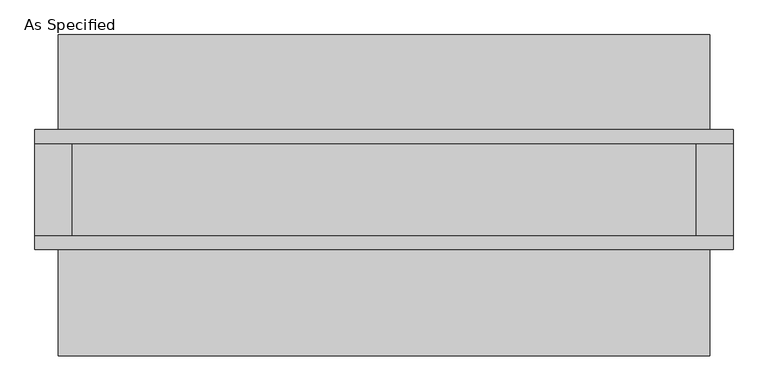
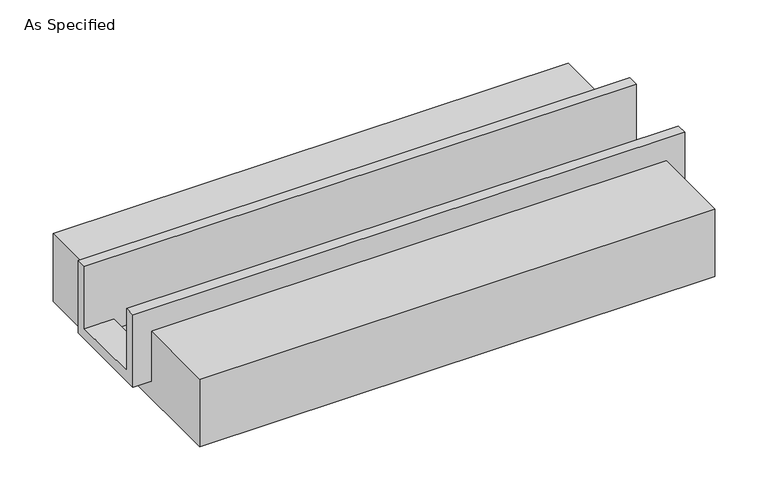
"""IFC4 building model written with IfcOpenShell, lengths in millimetres: proxy geometry, As Specified."""

from ifc_helpers import new_model, si_unit, frame, origin, place, context, project, spatial, polyline, outline, extrude, faceted_brep, source, transform, mapped, element, save


def as_specified_f30b4417(model_context):
    return source(origin(), model_context, "Body", "SolidModel", [
        faceted_brep([(-1917.7, 285.75, 139.7), (-1917.7, 361.95, 139.7), (-1917.7, 361.95, -393.7), (-1917.7, -298.45, -393.7), (-1917.7, -298.45, 139.7), (-1917.7, -222.25, 139.7), (-1917.7, -222.25, -317.5), (-1917.7, 285.75, -317.5), (1917.7, 285.75, 139.7), (1917.7, 285.75, -317.5), (1917.7, -222.25, -317.5), (1917.7, -222.25, 139.7), (1917.7, -298.45, 139.7), (1917.7, -298.45, -393.7), (1917.7, 361.95, -393.7), (1917.7, 361.95, 139.7), (1714.5, -222.25, -393.7), (1714.5, 285.75, -393.7), (-1714.5, 285.75, -393.7), (-1714.5, -222.25, -393.7), (1714.5, -222.25, -317.5), (-1714.5, -222.25, -317.5), (-1714.5, 285.75, -317.5), (1714.5, 285.75, -317.5)], [[[0, 1, 2, 3, 4, 5, 6, 7]], [[8, 9, 10, 11, 12, 13, 14, 15]], [[1, 0, 8, 15]], [[2, 1, 15, 14]], [[3, 2, 14, 13], [16, 17, 18, 19]], [[4, 3, 13, 12]], [[5, 4, 12, 11]], [[6, 5, 11, 10, 20, 16, 19, 21]], [[7, 6, 21, 22]], [[10, 9, 23, 20]], [[0, 7, 22, 18, 17, 23, 9, 8]], [[16, 20, 23, 17]], [[21, 19, 18, 22]]]),
        extrude(outline(polyline([(882.65, -25.4), (882.65, -523.9742188), (-882.65, -523.9742188), (-882.65, -25.4), (-298.45, -25.4), (-298.45, -393.7), (361.95, -393.7), (361.95, -25.4), (882.65, -25.4)])), frame((-1790.7, 0.0, 0.0), z_axis=(1.0, 0.0, 0.0), x_axis=(0.0, 1.0, 0.0)), (0.0, 0.0, 1.0), 3581.4),
    ])


if __name__ == "__main__":
    model = new_model("IFC4")
    model_context = context("Model", 3, world=origin())
    ifc_project = project(units=[si_unit("LENGTHUNIT", "METRE", prefix="MILLI")], contexts=[model_context])
    site = spatial("IfcSite", under=ifc_project)
    building = spatial("IfcBuilding", under=site)
    placement = place(None, origin())
    as_specified_shape = as_specified_f30b4417(model_context)
    element("IfcBuildingElementProxy", 1, Name="As Specified", ObjectType="As Specified", at=placement, inside=building, context=model_context, shape_type="MappedRepresentation", body=[
        mapped(as_specified_shape, transform((0.0, 0.0, 0.0), x_axis=(1.0, 0.0, 0.0), y_axis=(0.0, 1.0, 0.0), z_axis=(0.0, 0.0, 1.0))),
    ])
    save(model, "model.ifc")
